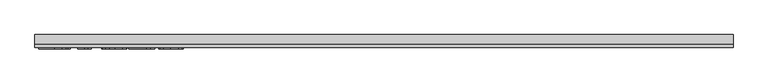
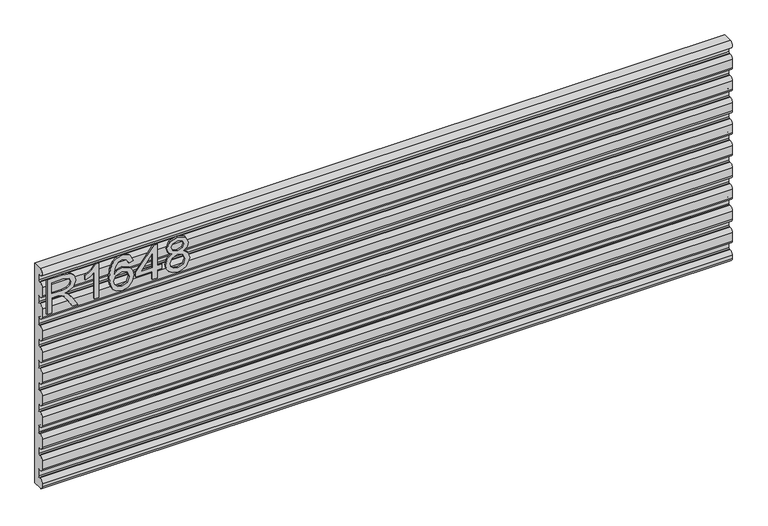
"""IFC4 building model written with IfcOpenShell, lengths in millimetres: furniture geometry."""

from ifc_helpers import new_model, si_unit, point, frame, frame_2d, origin, place, context, project, spatial, polyline, circle_curve, trimmed, segment, composite_curve, outline, extrude, source, transform, mapped, element, save


def furniture_e29ba815(model_context):
    return source(origin(), model_context, "Body", "SweptSolid", [
        extrude(outline(polyline([(1289.05, -596.2729953), (1289.05, -588.2992757), (1316.9580187, -588.2992757), (1316.9580187, -578.674747), (1316.6776926, -574.0493666), (1315.1592596, -570.2571777), (1311.02445, -566.0444997), (1302.2720468, -560.0486363), (1289.05, -551.7478696), (1289.05, -542.4815353), (1306.336775, -553.1183526), (1314.5440996, -559.5814262), (1317.9547336, -564.1133645), (1323.8883023, -550.7589415), (1335.3816716, -546.4372477), (1345.0295609, -549.0458376), (1351.1188663, -556.0228423), (1352.8397569, -568.7854658), (1352.8397569, -596.2729953), (1289.05, -596.2729953)]), holes=[polyline([(1324.9317383, -588.2992757), (1344.8660373, -588.2992757), (1344.8660373, -568.442845), (1342.1094975, -557.7826671), (1335.0857719, -554.4109673), (1329.6739211, -556.178579), (1326.0608294, -561.3490378), (1324.9317383, -570.4518486), (1324.9317383, -588.2992757)])]), frame((0.0, -24.60625, 0.0), z_axis=(0.0, 1.0, 0.0), x_axis=(0.0, 0.0, 1.0)), (0.0, 0.0, 1.0), 2.38125),
        extrude(outline(polyline([(1289.05, -505.5719347), (1352.8397569, -505.5719347), (1352.8397569, -510.7112462), (1344.3521062, -517.8050533), (1336.8923177, -529.4930935), (1329.3546609, -529.4930935), (1333.3804549, -521.0988848), (1338.7611582, -513.5456543), (1289.05, -513.5456543), (1289.05, -505.5719347)])), frame((0.0, -24.60625, 0.0), z_axis=(0.0, 1.0, 0.0), x_axis=(0.0, 0.0, 1.0)), (0.0, 0.0, 1.0), 2.38125),
        extrude(outline(polyline([(1335.8956028, -445.7690375), (1348.338966, -451.6558852), (1352.8397569, -464.2549852), (1351.0215308, -473.5096392), (1345.5668525, -480.6540609), (1334.7081103, -485.8868144), (1318.8268592, -487.6310655), (1304.7015395, -486.0600715), (1295.2171738, -481.3470892), (1289.8442572, -474.1423196), (1288.053285, -465.0959634), (1290.755317, -454.6460301), (1298.5421526, -447.404273), (1309.5449512, -444.7723226), (1317.7172351, -446.1700596), (1324.2309231, -450.3632705), (1329.915313, -463.9123644), (1327.8362279, -472.6258334), (1321.4743833, -479.6573459), (1335.6853582, -477.3913768), (1342.9349021, -471.9483787), (1344.8660373, -464.7533426), (1341.5488454, -456.7640494), (1334.8988878, -453.7427572), (1335.8956028, -445.7690375)]), holes=[polyline([(1309.6695406, -479.6573459), (1318.55432, -475.6938466), (1321.9415934, -466.0459574), (1318.55432, -456.2734787), (1309.2801988, -452.7460422), (1299.5933754, -456.3201997), (1296.0270047, -465.7189103), (1297.7478953, -472.9061595), (1302.7626174, -477.8118659), (1309.6695406, -479.6573459)])]), frame((0.0, -24.60625, 0.0), z_axis=(0.0, 1.0, 0.0), x_axis=(0.0, 0.0, 1.0)), (0.0, 0.0, 1.0), 2.38125),
        extrude(outline(polyline([(1289.05, -411.8807292), (1289.05, -403.9070095), (1304.0007243, -403.9070095), (1304.0007243, -395.9332899), (1311.9744439, -395.9332899), (1311.9744439, -403.9070095), (1351.843042, -403.9070095), (1351.843042, -409.8872993), (1311.9744439, -440.7854628), (1304.0007243, -440.7854628), (1304.0007243, -411.8807292), (1289.05, -411.8807292)]), holes=[polyline([(1311.9744439, -411.8807292), (1311.9744439, -430.97405), (1336.6119916, -411.8807292), (1311.9744439, -411.8807292)])]), frame((0.0, -24.60625, 0.0), z_axis=(0.0, 1.0, 0.0), x_axis=(0.0, 0.0, 1.0)), (0.0, 0.0, 1.0), 2.38125),
        extrude(outline(polyline([(1324.1842021, -377.3383266), (1318.3907964, -385.9349931), (1307.8318474, -388.9562853), (1300.0742125, -387.5157207), (1293.7143145, -383.1940269), (1289.4685424, -376.5207089), (1288.053285, -368.0252713), (1289.4627023, -359.5298337), (1293.690954, -352.8565156), (1307.613816, -347.0942573), (1317.9313731, -349.9987469), (1324.1842021, -358.4786109), (1329.113269, -351.415951), (1336.6275653, -349.0876872), (1348.1209346, -354.3204407), (1352.8397569, -368.134287), (1348.2299503, -381.8235439), (1336.8455967, -386.9628554), (1329.1366295, -384.6034442), (1324.1842021, -377.3383266)]), holes=[polyline([(1336.6119916, -378.9891357), (1342.4365446, -376.1157934), (1344.8660373, -368.0252713), (1342.3820368, -359.9581096), (1336.2537972, -357.0614068), (1330.3358022, -359.8646676), (1327.9218831, -367.9318292), (1330.3513758, -376.1625144), (1336.6119916, -378.9891357)]), polyline([(1308.1121735, -380.9825656), (1316.5686769, -377.6108658), (1319.9481635, -368.227729), (1316.5219559, -358.5720529), (1307.8629947, -355.0679769), (1299.3675571, -358.4630372), (1296.0270047, -367.9629766), (1297.6155191, -374.9399812), (1302.1085232, -379.6510168), (1308.1121735, -380.9825656)])]), frame((0.0, -24.60625, 0.0), z_axis=(0.0, 1.0, 0.0), x_axis=(0.0, 0.0, 1.0)), (0.0, 0.0, 1.0), 2.38125),
        extrude(outline(composite_curve([segment(polyline([(-11.1273551, 1347.3125759), (-11.1273551, 1357.7113359)]), True, "CONTINUOUS"), segment(trimmed(circle_curve(frame_2d((-12.7148551, 1357.7113359)), 1.5875), [point((-11.1273551, 1357.7113359))], [point((-12.9205788, 1359.2854496))], True, "CARTESIAN"), True, "CONTINUOUS"), segment(trimmed(circle_curve(frame_2d((-1.148465, 1275.710398)), 84.4000706), [point((-12.9205788, 1359.2854496))], [point((-15.1005681, 1358.9492755))], True, "CARTESIAN"), True, "CONTINUOUS"), segment(trimmed(circle_curve(frame_2d((-15.8898551, 1365.2475159)), 6.3475039), [point((-15.1005681, 1358.9492755))], [point((-15.8908532, 1371.5950196))], False, "CARTESIAN"), True, "CONTINUOUS"), segment(polyline([(-15.8908532, 1371.5950196), (-0.0148551, 1371.5975159), (-0.0148551, 965.2), (-15.8898551, 965.2)]), True, "CONTINUOUS"), segment(trimmed(circle_curve(frame_2d((-15.8898551, 971.5475038)), 6.3475038), [point((-15.8898551, 965.2))], [point((-22.2373589, 971.5475038))], False, "CARTESIAN"), True, "CONTINUOUS"), segment(polyline([(-22.2373589, 971.5475038), (-22.2373589, 977.3539438)]), True, "CONTINUOUS"), segment(trimmed(circle_curve(frame_2d((-15.8898551, 977.3539438)), 6.3475038), [point((-22.2373589, 977.3539438))], [point((-15.1005681, 983.6521841))], False, "CARTESIAN"), True, "CONTINUOUS"), segment(trimmed(circle_curve(frame_2d((-1.148465, 1066.8910617)), 84.4000706), [point((-15.1005681, 983.6521841))], [point((-12.9205788, 983.31601))], True, "CARTESIAN"), True, "CONTINUOUS"), segment(trimmed(circle_curve(frame_2d((-12.7148551, 984.8901238)), 1.5875), [point((-12.9205788, 983.31601))], [point((-11.1273551, 984.8901238))], True, "CARTESIAN"), True, "CONTINUOUS"), segment(polyline([(-11.1273551, 984.8901238), (-11.1273551, 996.9060073)]), True, "CONTINUOUS"), segment(trimmed(circle_curve(frame_2d((-12.7148551, 996.9060073)), 1.5875), [point((-11.1273551, 996.9060073))], [point((-12.9205788, 998.480121))], True, "CARTESIAN"), True, "CONTINUOUS"), segment(trimmed(circle_curve(frame_2d((-1.148465, 914.9050694)), 84.4000706), [point((-12.9205788, 998.480121))], [point((-15.1005681, 998.143947))], True, "CARTESIAN"), True, "CONTINUOUS"), segment(trimmed(circle_curve(frame_2d((-15.8898551, 1004.4421873)), 6.3475039), [point((-15.1005681, 998.143947))], [point((-22.225, 1004.0462778))], False, "CARTESIAN"), True, "CONTINUOUS"), segment(polyline([(-22.225, 1004.0462778), (-22.225, 1019.4564578)]), True, "CONTINUOUS"), segment(trimmed(circle_curve(frame_2d((-15.8898551, 1019.0605483)), 6.3475039), [point((-22.225, 1019.4564578))], [point((-15.1005681, 1025.3587886))], False, "CARTESIAN"), True, "CONTINUOUS"), segment(trimmed(circle_curve(frame_2d((-1.148465, 1108.5976662)), 84.4000706), [point((-15.1005681, 1025.3587886))], [point((-12.9205788, 1025.0226145))], True, "CARTESIAN"), True, "CONTINUOUS"), segment(trimmed(circle_curve(frame_2d((-12.7148551, 1026.5967283)), 1.5875), [point((-12.9205788, 1025.0226145))], [point((-11.1273551, 1026.5967283))], True, "CARTESIAN"), True, "CONTINUOUS"), segment(polyline([(-11.1273551, 1026.5967283), (-11.1273551, 1036.9954883)]), True, "CONTINUOUS"), segment(trimmed(circle_curve(frame_2d((-12.7148551, 1036.9954883)), 1.5875), [point((-11.1273551, 1036.9954883))], [point((-12.9205788, 1038.569602))], True, "CARTESIAN"), True, "CONTINUOUS"), segment(trimmed(circle_curve(frame_2d((-1.148465, 954.9945503)), 84.4000706), [point((-12.9205788, 1038.569602))], [point((-15.1005681, 1038.2334279))], True, "CARTESIAN"), True, "CONTINUOUS"), segment(trimmed(circle_curve(frame_2d((-15.8898551, 1044.5316682)), 6.3475039), [point((-15.1005681, 1038.2334279))], [point((-22.225, 1044.1357587))], False, "CARTESIAN"), True, "CONTINUOUS"), segment(polyline([(-22.225, 1044.1357587), (-22.225, 1059.5459387)]), True, "CONTINUOUS"), segment(trimmed(circle_curve(frame_2d((-15.8898551, 1059.1500292)), 6.3475039), [point((-22.225, 1059.5459387))], [point((-15.1005681, 1065.4482696))], False, "CARTESIAN"), True, "CONTINUOUS"), segment(trimmed(circle_curve(frame_2d((-1.148465, 1148.6871471)), 84.4000706), [point((-15.1005681, 1065.4482696))], [point((-12.9205788, 1065.1120955))], True, "CARTESIAN"), True, "CONTINUOUS"), segment(trimmed(circle_curve(frame_2d((-12.7148551, 1066.6862092)), 1.5875), [point((-12.9205788, 1065.1120955))], [point((-11.1273551, 1066.6862092))], True, "CARTESIAN"), True, "CONTINUOUS"), segment(polyline([(-11.1273551, 1066.6862092), (-11.1273551, 1077.0849692)]), True, "CONTINUOUS"), segment(trimmed(circle_curve(frame_2d((-12.7148551, 1077.0849692)), 1.5875), [point((-11.1273551, 1077.0849692))], [point((-12.9205788, 1078.6590829))], True, "CARTESIAN"), True, "CONTINUOUS"), segment(trimmed(circle_curve(frame_2d((-1.148465, 995.0840313)), 84.4000706), [point((-12.9205788, 1078.6590829))], [point((-15.1005681, 1078.3229089))], True, "CARTESIAN"), True, "CONTINUOUS"), segment(trimmed(circle_curve(frame_2d((-15.8898551, 1084.6211492)), 6.3475039), [point((-15.1005681, 1078.3229089))], [point((-22.225, 1084.2252397))], False, "CARTESIAN"), True, "CONTINUOUS"), segment(polyline([(-22.225, 1084.2252397), (-22.225, 1099.6354197)]), True, "CONTINUOUS"), segment(trimmed(circle_curve(frame_2d((-15.8898551, 1099.2395102)), 6.3475039), [point((-22.225, 1099.6354197))], [point((-15.1005681, 1105.5377505))], False, "CARTESIAN"), True, "CONTINUOUS"), segment(trimmed(circle_curve(frame_2d((-1.148465, 1188.7766281)), 84.4000706), [point((-15.1005681, 1105.5377505))], [point((-12.9205788, 1105.2015764))], True, "CARTESIAN"), True, "CONTINUOUS"), segment(trimmed(circle_curve(frame_2d((-12.7148551, 1106.7756902)), 1.5875), [point((-12.9205788, 1105.2015764))], [point((-11.1273551, 1106.7756902))], True, "CARTESIAN"), True, "CONTINUOUS"), segment(polyline([(-11.1273551, 1106.7756902), (-11.1273551, 1117.1744502)]), True, "CONTINUOUS"), segment(trimmed(circle_curve(frame_2d((-12.7148551, 1117.1744502)), 1.5875), [point((-11.1273551, 1117.1744502))], [point((-12.9205788, 1118.7485639))], True, "CARTESIAN"), True, "CONTINUOUS"), segment(trimmed(circle_curve(frame_2d((-1.148465, 1035.1735122)), 84.4000706), [point((-12.9205788, 1118.7485639))], [point((-15.1005681, 1118.4123898))], True, "CARTESIAN"), True, "CONTINUOUS"), segment(trimmed(circle_curve(frame_2d((-15.8898551, 1124.7106301)), 6.3475039), [point((-15.1005681, 1118.4123898))], [point((-22.225, 1124.3147206))], False, "CARTESIAN"), True, "CONTINUOUS"), segment(polyline([(-22.225, 1124.3147206), (-22.225, 1139.7249006)]), True, "CONTINUOUS"), segment(trimmed(circle_curve(frame_2d((-15.8898551, 1139.3289911)), 6.3475039), [point((-22.225, 1139.7249006))], [point((-15.1005681, 1145.6272315))], False, "CARTESIAN"), True, "CONTINUOUS"), segment(trimmed(circle_curve(frame_2d((-1.148465, 1228.8661091)), 84.4000706), [point((-15.1005681, 1145.6272315))], [point((-12.9205788, 1145.2910574))], True, "CARTESIAN"), True, "CONTINUOUS"), segment(trimmed(circle_curve(frame_2d((-12.7148551, 1146.8651711)), 1.5875), [point((-12.9205788, 1145.2910574))], [point((-11.1273551, 1146.8651711))], True, "CARTESIAN"), True, "CONTINUOUS"), segment(polyline([(-11.1273551, 1146.8651711), (-11.1273551, 1157.2639311)]), True, "CONTINUOUS"), segment(trimmed(circle_curve(frame_2d((-12.7148551, 1157.2639311)), 1.5875), [point((-11.1273551, 1157.2639311))], [point((-12.9205788, 1158.8380449))], True, "CARTESIAN"), True, "CONTINUOUS"), segment(trimmed(circle_curve(frame_2d((-1.148465, 1075.2629932)), 84.4000706), [point((-12.9205788, 1158.8380449))], [point((-15.1005681, 1158.5018708))], True, "CARTESIAN"), True, "CONTINUOUS"), segment(trimmed(circle_curve(frame_2d((-15.8898551, 1164.8001111)), 6.3475039), [point((-15.1005681, 1158.5018708))], [point((-22.225, 1164.4042016))], False, "CARTESIAN"), True, "CONTINUOUS"), segment(polyline([(-22.225, 1164.4042016), (-22.225, 1179.8143816)]), True, "CONTINUOUS"), segment(trimmed(circle_curve(frame_2d((-15.8898551, 1179.4184721)), 6.3475039), [point((-22.225, 1179.8143816))], [point((-15.1005681, 1185.7167124))], False, "CARTESIAN"), True, "CONTINUOUS"), segment(trimmed(circle_curve(frame_2d((-1.148465, 1268.95559)), 84.4000706), [point((-15.1005681, 1185.7167124))], [point((-12.9205788, 1185.3805383))], True, "CARTESIAN"), True, "CONTINUOUS"), segment(trimmed(circle_curve(frame_2d((-12.7148551, 1186.9546521)), 1.5875), [point((-12.9205788, 1185.3805383))], [point((-11.1273551, 1186.9546521))], True, "CARTESIAN"), True, "CONTINUOUS"), segment(polyline([(-11.1273551, 1186.9546521), (-11.1273551, 1197.3534121)]), True, "CONTINUOUS"), segment(trimmed(circle_curve(frame_2d((-12.7148551, 1197.3534121)), 1.5875), [point((-11.1273551, 1197.3534121))], [point((-12.9205788, 1198.9275258))], True, "CARTESIAN"), True, "CONTINUOUS"), segment(trimmed(circle_curve(frame_2d((-1.148465, 1115.3524741)), 84.4000706), [point((-12.9205788, 1198.9275258))], [point((-15.1005681, 1198.5913517))], True, "CARTESIAN"), True, "CONTINUOUS"), segment(trimmed(circle_curve(frame_2d((-15.8898551, 1204.889592)), 6.3475039), [point((-15.1005681, 1198.5913517))], [point((-22.225, 1204.4936826))], False, "CARTESIAN"), True, "CONTINUOUS"), segment(polyline([(-22.225, 1204.4936826), (-22.225, 1219.9038626)]), True, "CONTINUOUS"), segment(trimmed(circle_curve(frame_2d((-15.8898551, 1219.5079531)), 6.3475039), [point((-22.225, 1219.9038626))], [point((-15.1005681, 1225.8061934))], False, "CARTESIAN"), True, "CONTINUOUS"), segment(trimmed(circle_curve(frame_2d((-1.148465, 1309.045071)), 84.4000706), [point((-15.1005681, 1225.8061934))], [point((-12.9205788, 1225.4700193))], True, "CARTESIAN"), True, "CONTINUOUS"), segment(trimmed(circle_curve(frame_2d((-12.7148551, 1227.044133)), 1.5875), [point((-12.9205788, 1225.4700193))], [point((-11.1273551, 1227.044133))], True, "CARTESIAN"), True, "CONTINUOUS"), segment(polyline([(-11.1273551, 1227.044133), (-11.1273551, 1237.442893)]), True, "CONTINUOUS"), segment(trimmed(circle_curve(frame_2d((-12.7148551, 1237.442893)), 1.5875), [point((-11.1273551, 1237.442893))], [point((-12.9205788, 1239.0170068))], True, "CARTESIAN"), True, "CONTINUOUS"), segment(trimmed(circle_curve(frame_2d((-1.148465, 1155.4419551)), 84.4000706), [point((-12.9205788, 1239.0170068))], [point((-15.1005681, 1238.6808327))], True, "CARTESIAN"), True, "CONTINUOUS"), segment(trimmed(circle_curve(frame_2d((-15.8898551, 1244.979073)), 6.3475039), [point((-15.1005681, 1238.6808327))], [point((-22.225, 1244.5831635))], False, "CARTESIAN"), True, "CONTINUOUS"), segment(polyline([(-22.225, 1244.5831635), (-22.225, 1259.9933435)]), True, "CONTINUOUS"), segment(trimmed(circle_curve(frame_2d((-15.8898551, 1259.597434)), 6.3475039), [point((-22.225, 1259.9933435))], [point((-15.1005681, 1265.8956743))], False, "CARTESIAN"), True, "CONTINUOUS"), segment(trimmed(circle_curve(frame_2d((-1.148465, 1349.1345519)), 84.4000706), [point((-15.1005681, 1265.8956743))], [point((-12.9205788, 1265.5595003))], True, "CARTESIAN"), True, "CONTINUOUS"), segment(trimmed(circle_curve(frame_2d((-12.7148551, 1267.133614)), 1.5875), [point((-12.9205788, 1265.5595003))], [point((-11.1273551, 1267.133614))], True, "CARTESIAN"), True, "CONTINUOUS"), segment(polyline([(-11.1273551, 1267.133614), (-11.1273551, 1277.532374)]), True, "CONTINUOUS"), segment(trimmed(circle_curve(frame_2d((-12.7148551, 1277.532374)), 1.5875), [point((-11.1273551, 1277.532374))], [point((-12.9205788, 1279.1064877))], True, "CARTESIAN"), True, "CONTINUOUS"), segment(trimmed(circle_curve(frame_2d((-1.148465, 1195.5314361)), 84.4000706), [point((-12.9205788, 1279.1064877))], [point((-15.1005681, 1278.7703136))], True, "CARTESIAN"), True, "CONTINUOUS"), segment(trimmed(circle_curve(frame_2d((-15.8898551, 1285.068554)), 6.3475039), [point((-15.1005681, 1278.7703136))], [point((-22.225, 1284.6726445))], False, "CARTESIAN"), True, "CONTINUOUS"), segment(polyline([(-22.225, 1284.6726445), (-22.225, 1300.0828245)]), True, "CONTINUOUS"), segment(trimmed(circle_curve(frame_2d((-15.8898551, 1299.686915)), 6.3475039), [point((-22.225, 1300.0828245))], [point((-15.1005681, 1305.9851553))], False, "CARTESIAN"), True, "CONTINUOUS"), segment(trimmed(circle_curve(frame_2d((-1.148465, 1389.2240329)), 84.4000706), [point((-15.1005681, 1305.9851553))], [point((-12.9205788, 1305.6489812))], True, "CARTESIAN"), True, "CONTINUOUS"), segment(trimmed(circle_curve(frame_2d((-12.7148551, 1307.2230949)), 1.5875), [point((-12.9205788, 1305.6489812))], [point((-11.1273551, 1307.2230949))], True, "CARTESIAN"), True, "CONTINUOUS"), segment(polyline([(-11.1273551, 1307.2230949), (-11.1273551, 1317.6218549)]), True, "CONTINUOUS"), segment(trimmed(circle_curve(frame_2d((-12.7148551, 1317.6218549)), 1.5875), [point((-11.1273551, 1317.6218549))], [point((-12.9205788, 1319.1959687))], True, "CARTESIAN"), True, "CONTINUOUS"), segment(trimmed(circle_curve(frame_2d((-1.148465, 1235.620917)), 84.4000706), [point((-12.9205788, 1319.1959687))], [point((-15.1005681, 1318.8597946))], True, "CARTESIAN"), True, "CONTINUOUS"), segment(trimmed(circle_curve(frame_2d((-15.8898551, 1325.1580349)), 6.3475039), [point((-15.1005681, 1318.8597946))], [point((-22.225, 1324.7621254))], False, "CARTESIAN"), True, "CONTINUOUS"), segment(polyline([(-22.225, 1324.7621254), (-22.225, 1340.1723054)]), True, "CONTINUOUS"), segment(trimmed(circle_curve(frame_2d((-15.8898551, 1339.7763959)), 6.3475039), [point((-22.225, 1340.1723054))], [point((-15.1005681, 1346.0746362))], False, "CARTESIAN"), True, "CONTINUOUS"), segment(trimmed(circle_curve(frame_2d((-1.148465, 1429.3135138)), 84.4000706), [point((-15.1005681, 1346.0746362))], [point((-12.9205788, 1345.7384622))], True, "CARTESIAN"), True, "CONTINUOUS"), segment(trimmed(circle_curve(frame_2d((-12.7148551, 1347.3125759)), 1.5875), [point((-12.9205788, 1345.7384622))], [point((-11.1273551, 1347.3125759))], True, "CARTESIAN"), True, "CONTINUOUS")], self_intersect=False)), frame((-603.25, 0.0, 0.0), z_axis=(1.0, 0.0, 0.0), x_axis=(0.0, 1.0, 0.0)), (0.0, 0.0, 1.0), 1206.5),
    ])


if __name__ == "__main__":
    model = new_model("IFC4")
    model_context = context("Model", 3, world=origin())
    ifc_project = project(units=[si_unit("LENGTHUNIT", "METRE", prefix="MILLI")], contexts=[model_context])
    site = spatial("IfcSite", under=ifc_project)
    building = spatial("IfcBuilding", under=site)
    placement = place(None, origin())
    furniture_shape = furniture_e29ba815(model_context)
    element("IfcFurniture", 1, at=placement, inside=building, context=model_context, shape_type="MappedRepresentation", body=[
        mapped(furniture_shape, transform((0.0, 0.0, 0.0), x_axis=(1.0, 0.0, 0.0), y_axis=(0.0, 1.0, 0.0), z_axis=(0.0, 0.0, 1.0))),
    ])
    save(model, "model.ifc")
